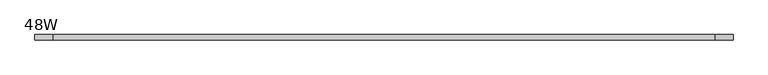
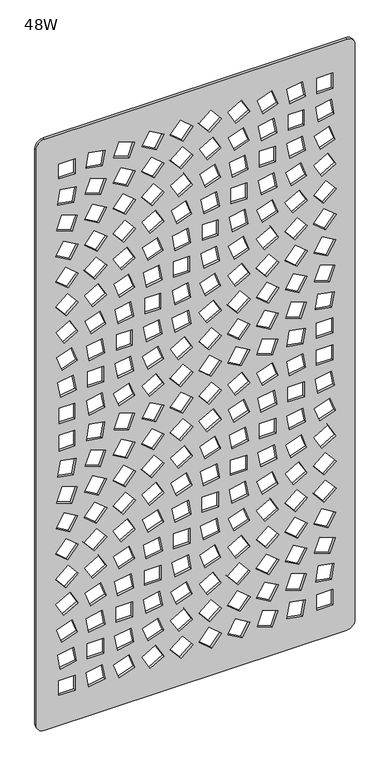
"""IFC4 building model written with IfcOpenShell, lengths in millimetres: furniture geometry, 48W."""

from ifc_helpers import new_model, si_unit, point, frame, frame_2d, origin, place, context, project, spatial, polyline, circle_curve, trimmed, segment, composite_curve, outline, extrude, source, transform, mapped, element, save


def furniture_48w_5e9925b6(model_context):
    return source(origin(), model_context, "Body", "SweptSolid", [
        extrude(outline(composite_curve([segment(polyline([(2413.0, 1187.4500727), (2413.0, 31.75)]), True, "CONTINUOUS"), segment(trimmed(circle_curve(frame_2d((2381.25, 31.75)), 31.75), [point((2413.0, 31.75))], [point((2381.25, 0.0))], False, "CARTESIAN"), True, "CONTINUOUS"), segment(polyline([(2381.25, 0.0), (57.15, 0.0)]), True, "CONTINUOUS"), segment(trimmed(circle_curve(frame_2d((57.15, 31.75)), 31.75), [point((57.15, 0.0))], [point((25.4, 31.75))], False, "CARTESIAN"), True, "CONTINUOUS"), segment(polyline([(25.4, 31.75), (25.4, 1187.4500727)]), True, "CONTINUOUS"), segment(trimmed(circle_curve(frame_2d((57.15, 1187.4500727)), 31.75), [point((25.4, 1187.4500727))], [point((57.15, 1219.2000727))], False, "CARTESIAN"), True, "CONTINUOUS"), segment(polyline([(57.15, 1219.2000727), (2381.25, 1219.2000727)]), True, "CONTINUOUS"), segment(trimmed(circle_curve(frame_2d((2381.25, 1187.4500727)), 31.75), [point((2381.25, 1219.2000727))], [point((2413.0, 1187.4500727))], False, "CARTESIAN"), True, "CONTINUOUS")], self_intersect=False), holes=[polyline([(2293.5036118, 148.8981546), (2233.3057358, 148.8981546), (2233.3057358, 86.0331934), (2293.5036118, 86.0331934), (2293.5036118, 148.8981546)]), polyline([(2298.5046631, 201.3383646), (2287.5882751, 263.2483454), (2228.3046844, 252.7951075), (2239.2210724, 190.8851267), (2298.5046631, 201.3383646)]), polyline([(2302.4389191, 317.425271), (2280.9379059, 376.4989908), (2224.3702347, 355.9101313), (2245.8714417, 296.8363146), (2302.4389191, 317.425271)]), polyline([(2305.1873947, 434.0967833), (2273.7548172, 488.5394388), (2221.6219528, 458.4404524), (2253.0543365, 403.9977968), (2305.1873947, 434.0967833)]), polyline([(2306.6661804, 551.1381372), (2266.2574066, 599.2955175), (2220.1429733, 560.6010286), (2260.5519409, 512.4435999), (2306.6661804, 551.1381372)]), polyline([(2306.8305115, 668.3232809), (2258.6731796, 708.7321516), (2219.9786423, 662.6178152), (2268.1359741, 622.2089445), (2306.8305115, 668.3232809)]), polyline([(2305.6753494, 785.4217051), (2251.2327423, 816.8541857), (2221.1338043, 764.7212244), (2275.5764114, 733.2887438), (2305.6753494, 785.4217051)]), polyline([(2303.2359634, 902.205662), (2244.1622437, 923.706772), (2223.5731903, 867.1391977), (2282.6469101, 845.6380877), (2303.2359634, 902.205662)]), polyline([(2299.5861862, 1018.4568995), (2237.6762054, 1029.3732874), (2227.2229675, 970.0898905), (2289.1329483, 959.1735025), (2299.5861862, 1018.4568995)]), polyline([(2294.8370575, 1133.973395), (2231.9720963, 1133.973395), (2231.9720963, 1073.7753252), (2294.8370575, 1073.7753252), (2294.8370575, 1133.973395)]), polyline([(2189.794632, 1128.0578646), (2127.8846512, 1138.9742525), (2117.4314133, 1079.6908556), (2179.341394, 1068.7744677), (2189.794632, 1128.0578646)]), polyline([(2185.0455032, 1024.3724298), (2122.180542, 1024.3724298), (2122.180542, 964.1743601), (2185.0455032, 964.1743601), (2185.0455032, 1024.3724298)]), polyline([(2189.794632, 908.8559343), (2127.884845, 919.7723707), (2117.4314133, 860.4889254), (2179.341394, 849.572489), (2189.794632, 908.8559343)]), polyline([(2134.3706894, 814.1058069), (2113.7818298, 757.5382326), (2172.8555496, 736.0371225), (2193.4444092, 792.6046968), (2134.3706894, 814.1058069)]), polyline([(2141.441188, 707.253269), (2111.3422501, 655.1203077), (2165.7848572, 623.6878271), (2195.883989, 675.8207884), (2141.441188, 707.253269)]), polyline([(2148.8816254, 599.1311865), (2110.187088, 553.0168501), (2158.3446136, 512.6079309), (2197.039151, 558.7223158), (2148.8816254, 599.1311865)]), polyline([(2156.4658524, 489.6945524), (2110.3516129, 451.0000151), (2150.7603867, 402.8426348), (2196.8746262, 441.5371721), (2156.4658524, 489.6945524)]), polyline([(2163.9634567, 378.9385706), (2111.8303986, 348.8394388), (2143.2629761, 294.3968317), (2195.3958405, 324.4958666), (2163.9634567, 378.9385706)]), polyline([(2171.1463516, 266.8980257), (2114.5788742, 246.3091661), (2136.0798874, 187.2353495), (2192.6475586, 207.8243059), (2171.1463516, 266.8980257)]), polyline([(2177.7967209, 153.6472834), (2118.513324, 143.1939486), (2129.4297119, 81.2840647), (2188.7131088, 91.7373026), (2177.7967209, 153.6472834)]), polyline([(2061.3549911, 157.2969637), (2004.7873199, 136.7081041), (2026.2883331, 77.6342875), (2082.8560043, 98.2232439), (2061.3549911, 157.2969637)]), polyline([(2033.4714218, 184.7958666), (2085.60448, 214.8949015), (2054.1719025, 269.3375086), (2002.0388443, 239.2385706), (2033.4714218, 184.7958666)]), polyline([(2087.0832657, 331.936207), (2046.6742981, 380.0936357), (2000.5600586, 341.3990984), (2040.9688324, 293.2416697), (2087.0832657, 331.936207)]), polyline([(2087.2475967, 449.1213507), (2039.0902649, 489.5301729), (2000.3957275, 443.4158365), (2048.5530594, 403.0070627), (2087.2475967, 449.1213507)]), polyline([(2086.0924347, 566.2198233), (2031.6498276, 597.6522554), (2001.5506958, 545.5192942), (2055.9934967, 514.0868135), (2086.0924347, 566.2198233)]), polyline([(2083.6528549, 683.0037802), (2024.5791351, 704.5048418), (2003.9902756, 647.9372675), (2063.0639954, 626.4362059), (2083.6528549, 683.0037802)]), polyline([(2080.0032715, 799.2549692), (2018.0932907, 810.1713572), (2007.6400528, 750.8879118), (2069.5498398, 739.9715239), (2080.0032715, 799.2549692)]), polyline([(2075.2541428, 854.5734434), (2075.2541428, 914.7714163), (2012.3891815, 914.7713678), (2012.3889877, 854.573395), (2075.2541428, 854.5734434)]), polyline([(2080.0030777, 1018.4568995), (2018.0932907, 1029.3732874), (2007.639859, 970.0898905), (2069.5498398, 959.1735025), (2080.0030777, 1018.4568995)]), polyline([(2083.6528549, 1121.4075922), (2024.5791351, 1142.9087023), (2003.9900818, 1086.341128), (2063.0639954, 1064.8400179), (2083.6528549, 1121.4075922)]), polyline([(1975.8127319, 1116.0461946), (1923.6798676, 1146.1452295), (1892.24729, 1091.7025255), (1944.3803482, 1061.6034906), (1975.8127319, 1116.0461946)]), polyline([(1973.8613007, 1011.8066271), (1914.7875809, 1033.3077372), (1894.1987213, 976.7401628), (1953.2724411, 955.2390528), (1973.8613007, 1011.8066271)]), polyline([(1970.2117172, 908.8558859), (1908.3017365, 919.7723223), (1897.8484985, 860.4888769), (1959.7582855, 849.5724405), (1970.2117172, 908.8558859)]), polyline([(1965.4625885, 805.1704027), (1902.5976273, 805.1704027), (1902.5976273, 744.9724298), (1965.4625885, 744.9724298), (1965.4625885, 805.1704027)]), polyline([(1970.2117172, 689.6540041), (1908.3017365, 700.5704405), (1897.8484985, 641.2869951), (1959.7584793, 630.3705587), (1970.2117172, 689.6540041)]), polyline([(1973.8614944, 573.4027666), (1914.7877747, 594.9038767), (1894.1987213, 538.3363024), (1953.2724411, 516.8351923), (1973.8614944, 573.4027666)]), polyline([(1976.3008804, 456.6188097), (1921.8582733, 488.0512903), (1891.7593353, 435.918329), (1946.2019424, 404.4858484), (1976.3008804, 456.6188097)]), polyline([(1977.4560425, 339.520434), (1929.2987106, 379.9292078), (1890.6041733, 333.8148714), (1938.7615051, 293.4060007), (1977.4560425, 339.520434)]), polyline([(1936.8829376, 270.4926706), (1890.7685043, 232.5452776), (1931.1774719, 184.3879457), (1977.2917114, 222.3352419), (1936.8829376, 270.4926706)]), polyline([(1944.3803482, 160.4836878), (1892.2474838, 130.3846529), (1923.6798676, 75.1948046), (1975.8129257, 105.2938395), (1944.3803482, 160.4836878)]), polyline([(1827.0913834, 160.8916086), (1780.9769501, 122.1970713), (1821.3859177, 74.0396425), (1867.500351, 112.7341799), (1827.0913834, 160.8916086)]), polyline([(1867.664682, 229.919372), (1819.5071564, 270.3282427), (1780.812619, 224.2139063), (1828.9701447, 183.8051325), (1867.664682, 229.919372)]), polyline([(1866.50952, 347.0178446), (1812.0667191, 378.4504221), (1781.9677811, 326.3173639), (1836.4103882, 294.8848833), (1866.50952, 347.0178446)]), polyline([(1864.0699402, 463.8018015), (1804.9962204, 485.3029116), (1784.4073608, 428.7353373), (1843.4810806, 407.2342272), (1864.0699402, 463.8018015)]), polyline([(1860.420163, 580.053039), (1798.510376, 590.9694754), (1788.0569443, 531.68603), (1849.966925, 520.7696421), (1860.420163, 580.053039)]), polyline([(1855.6710342, 695.569486), (1792.806073, 695.569486), (1792.806073, 635.3715132), (1855.6710342, 635.3715132), (1855.6710342, 695.569486)]), polyline([(1860.420163, 799.2549208), (1798.5101822, 810.1713572), (1788.0569443, 750.8879118), (1849.966925, 739.9714754), (1860.420163, 799.2549208)]), polyline([(1863.2728958, 903.9148115), (1806.7052246, 924.5037195), (1785.2042114, 865.4299513), (1841.7716888, 844.8410433), (1863.2728958, 903.9148115)]), polyline([(1866.0213715, 1006.4452295), (1813.8883133, 1036.5441675), (1782.4559296, 982.1014635), (1834.5887939, 952.0024286), (1866.0213715, 1006.4452295)]), polyline([(1867.5001572, 1108.6057573), (1821.3857239, 1147.3001978), (1780.9769501, 1099.1428659), (1824.607814, 1061.6961206), (1867.5001572, 1108.6057573)]), polyline([(1757.8731277, 120.3184069), (1709.7157959, 160.7271807), (1671.0212585, 114.6128443), (1719.1785904, 74.2040705), (1757.8731277, 120.3184069)]), polyline([(1756.7179657, 237.4168795), (1702.2753586, 268.8493601), (1672.1762268, 216.7163988), (1726.6190277, 185.2839182), (1756.7179657, 237.4168795)]), polyline([(1754.2783859, 354.2008364), (1695.2046661, 375.7019464), (1674.6158066, 319.1343721), (1733.6895264, 297.6332621), (1754.2783859, 354.2008364)]), polyline([(1750.6288025, 470.4520739), (1688.7188217, 481.3684618), (1678.26539, 422.0850649), (1740.1753708, 411.1686769), (1750.6288025, 470.4520739)]), polyline([(1745.8796738, 585.9685209), (1683.0147125, 585.9685209), (1683.0145187, 525.7705481), (1745.87948, 525.7705481), (1745.8796738, 585.9685209)]), polyline([(1750.6288025, 689.6540041), (1688.7186279, 700.5704405), (1678.26539, 641.2869951), (1740.1753708, 630.3705587), (1750.6288025, 689.6540041)]), polyline([(1754.2783859, 792.6046484), (1695.2046661, 814.1057585), (1674.6156128, 757.5381842), (1733.6895264, 736.0370741), (1754.2783859, 792.6046484)]), polyline([(1756.2298172, 896.844216), (1704.096759, 926.9432508), (1672.6641815, 872.5005468), (1724.7972397, 842.401512), (1756.2298172, 896.844216)]), polyline([(1757.7086029, 999.0046953), (1711.5943634, 1037.6992327), (1671.1853958, 989.5419008), (1717.2998291, 950.8473635), (1757.7086029, 999.0046953)]), polyline([(1757.872934, 1101.0215303), (1719.1783966, 1147.1358667), (1671.0210648, 1106.726996), (1709.7156021, 1060.6126596), (1757.872934, 1101.0215303)]), polyline([(1646.9265083, 127.8158175), (1592.4838043, 159.2482981), (1562.3847694, 107.1153368), (1616.8274734, 75.6828562), (1646.9265083, 127.8158175)]), polyline([(1644.4870255, 244.5998713), (1585.4132088, 266.1009813), (1564.8242523, 209.533407), (1623.898069, 188.0322969), (1644.4870255, 244.5998713)]), polyline([(1640.8372482, 360.8511087), (1578.9272675, 371.7674967), (1568.4740295, 312.4840998), (1630.3840103, 301.5677118), (1640.8372482, 360.8511087)]), polyline([(1636.0881195, 476.3675074), (1573.2231583, 476.3675558), (1573.2231583, 416.1695829), (1636.0881195, 416.1695345), (1636.0881195, 476.3675074)]), polyline([(1640.8372482, 580.0529905), (1578.9272675, 590.9694269), (1568.4740295, 531.6859816), (1630.3839134, 520.7695452), (1640.8372482, 580.0529905)]), polyline([(1644.4869286, 683.0036833), (1585.4131119, 704.5047934), (1564.8242523, 647.937219), (1623.8979721, 626.436109), (1644.4869286, 683.0036833)]), polyline([(1646.4382629, 787.2432024), (1594.3053017, 817.3422373), (1562.872821, 762.8995333), (1615.0057823, 732.8004984), (1646.4382629, 787.2432024)]), polyline([(1647.9171455, 889.4037302), (1601.8028091, 928.0982676), (1561.3939384, 879.9409357), (1607.5082748, 841.2463984), (1647.9171455, 889.4037302)]), polyline([(1648.0814766, 991.4205652), (1609.3870361, 1037.5349016), (1561.2296074, 997.1260309), (1599.9240479, 951.0116945), (1648.0814766, 991.4205652)]), polyline([(1646.9262177, 1093.5240229), (1616.8272797, 1145.6569841), (1562.3846725, 1114.2245035), (1592.4836105, 1062.0915422), (1646.9262177, 1093.5240229)]), polyline([(1534.6954712, 134.9988092), (1475.6217514, 156.4999193), (1455.0328918, 99.932345), (1514.1066116, 78.4312349), (1534.6954712, 134.9988092)]), polyline([(1531.0457909, 251.2501436), (1469.135907, 262.1665316), (1458.6825722, 202.8831347), (1520.5924561, 191.9667467), (1531.0457909, 251.2501436)]), polyline([(1526.2965652, 366.7665422), (1463.431604, 366.7666391), (1463.4317009, 306.5685694), (1526.2966621, 306.5685694), (1526.2965652, 366.7665422)]), polyline([(1531.045694, 470.4520739), (1469.1357132, 481.3684618), (1458.6824753, 422.0850164), (1520.5924561, 411.1685801), (1531.045694, 470.4520739)]), polyline([(1529.9639771, 581.597809), (1470.6805801, 592.0510954), (1459.7641922, 530.1411631), (1519.0475891, 519.6878767), (1529.9639771, 581.597809)]), polyline([(1536.6469025, 677.6422857), (1484.5138443, 707.7413206), (1453.0812668, 653.2986166), (1505.214325, 623.1995817), (1536.6469025, 677.6422857)]), polyline([(1538.1256882, 779.8027651), (1492.0112549, 818.4973024), (1451.6024811, 770.3399706), (1497.7167206, 731.6454332), (1538.1256882, 779.8027651)]), polyline([(1538.2900192, 881.8195517), (1499.5954819, 927.9339365), (1451.43815, 887.5251143), (1490.1325905, 841.4107294), (1538.2900192, 881.8195517)]), polyline([(1537.1348572, 983.9230577), (1507.0359192, 1036.056019), (1452.5932152, 1004.6235384), (1482.6921532, 952.4905771), (1537.1348572, 983.9230577)]), polyline([(1534.6953743, 1086.3410311), (1514.1064178, 1142.9086054), (1455.0326981, 1121.4074953), (1475.6215576, 1064.839921), (1534.6953743, 1086.3410311)]), polyline([(1409.2560349, 1140.0558725), (1349.9726379, 1129.6026346), (1360.8890259, 1067.6926538), (1420.1724228, 1078.1458918), (1409.2560349, 1140.0558725)]), polyline([(1404.3149605, 1033.3076403), (1345.2411438, 1011.8065302), (1365.8301003, 955.2389559), (1424.9039169, 976.740066), (1404.3149605, 1033.3076403)]), polyline([(1397.2443649, 926.4550539), (1342.8016609, 895.0226217), (1372.9006958, 842.889612), (1427.3433998, 874.3220442), (1397.2443649, 926.4550539)]), polyline([(1389.8039276, 818.3329714), (1341.6465958, 777.9241491), (1380.3411331, 731.8097643), (1428.498465, 772.2185865), (1389.8039276, 818.3329714)]), polyline([(1382.2197975, 708.8963858), (1341.8109268, 660.7390539), (1387.9252632, 622.0445166), (1428.3341339, 670.2018484), (1382.2197975, 708.8963858)]), polyline([(1374.72229, 598.1403555), (1343.2898094, 543.6976515), (1395.4227707, 513.598665), (1426.8552513, 568.0413206), (1374.72229, 598.1403555)]), polyline([(1367.5393951, 486.099859), (1346.0382851, 427.0260908), (1402.6058594, 406.4371828), (1424.1069695, 465.5109026), (1367.5393951, 486.099859)]), polyline([(1359.3442558, 371.7674967), (1348.8910179, 312.4840998), (1410.8009987, 301.5676149), (1421.2542366, 360.8511087), (1359.3442558, 371.7674967)]), polyline([(1353.6401466, 257.1655771), (1353.6401466, 196.9676043), (1416.5051079, 196.9676043), (1416.5051079, 257.1655771), (1353.6401466, 257.1655771)]), polyline([(1359.3442558, 152.5654696), (1348.8910179, 93.2820726), (1410.8009987, 82.3656847), (1421.2542366, 141.6490816), (1359.3442558, 152.5654696)]), polyline([(1306.7136505, 147.5645151), (1243.8486893, 147.5645151), (1243.8486893, 87.3665422), (1306.7136505, 87.3665422), (1306.7136505, 147.5645151)]), polyline([(1311.4627792, 251.2501436), (1249.5527985, 262.1665316), (1239.0995605, 202.8830378), (1301.0095413, 191.9666498), (1311.4627792, 251.2501436)]), polyline([(1314.3155121, 355.9099375), (1257.7479378, 376.4988939), (1236.2468277, 317.4251741), (1292.814402, 296.8362177), (1314.3155121, 355.9099375)]), polyline([(1317.0638908, 458.440307), (1264.9309296, 488.5393419), (1233.4984489, 434.0966379), (1285.6314102, 403.9976999), (1317.0638908, 458.440307)]), polyline([(1318.5426765, 560.6008833), (1272.4283401, 599.2954206), (1232.0194695, 551.1380404), (1278.1338058, 512.443503), (1318.5426765, 560.6008833)]), polyline([(1318.7070076, 662.6176699), (1280.0124702, 708.7320547), (1231.8551384, 668.323184), (1270.5496758, 622.2088476), (1318.7070076, 662.6176699)]), polyline([(1287.4529076, 816.8540888), (1233.8052132, 783.5368395), (1263.1092384, 733.2886469), (1317.5519424, 764.7210791), (1287.4529076, 816.8540888)]), polyline([(1292.8143051, 924.5036711), (1236.2467308, 903.9147146), (1257.7478409, 844.8409948), (1314.3154152, 865.4299028), (1292.8143051, 924.5036711)]), polyline([(1299.4645775, 1030.4549074), (1240.1811806, 1020.0016695), (1251.0975685, 958.0916887), (1310.3809654, 968.5449266), (1299.4645775, 1030.4549074)]), polyline([(1305.3801079, 1135.3067438), (1245.1820381, 1135.3067438), (1245.1820381, 1072.4417826), (1305.3801079, 1072.4417826), (1305.3801079, 1135.3067438)]), polyline([(1196.9221931, 147.5645151), (1134.0572319, 147.5645151), (1134.0572319, 87.3665422), (1196.9221931, 87.3665422), (1196.9221931, 147.5645151)]), polyline([(1191.218084, 262.1665316), (1129.3081032, 251.2501436), (1139.7613411, 191.9666498), (1201.6713219, 202.8830378), (1191.218084, 262.1665316)]), polyline([(1184.7321426, 375.7019464), (1125.658326, 354.2008364), (1146.2472824, 297.6331652), (1205.3210991, 319.1342752), (1184.7321426, 375.7019464)]), polyline([(1177.6615471, 488.0512419), (1123.2188431, 456.6187128), (1153.317878, 404.4857515), (1207.760582, 435.9182322), (1177.6615471, 488.0512419)]), polyline([(1170.2210129, 599.1310411), (1122.063681, 558.7222189), (1160.7582184, 512.6078341), (1208.9155502, 553.0166563), (1170.2210129, 599.1310411)]), polyline([(1208.7512192, 670.2018), (1162.6368828, 708.8963373), (1122.2280121, 660.7390055), (1168.3423485, 622.0444681), (1208.7512192, 670.2018)]), polyline([(1207.2723366, 787.243154), (1155.1393753, 817.3421888), (1123.7068947, 762.8994848), (1175.839856, 732.8004499), (1207.2723366, 787.243154)]), polyline([(1204.5239578, 903.9147146), (1147.9563835, 924.5036226), (1126.4552734, 865.4298544), (1183.0228477, 844.8409464), (1204.5239578, 903.9147146)]), polyline([(1200.5895081, 1020.0015726), (1141.3061111, 1030.4549074), (1130.3897232, 968.5450235), (1189.6731201, 958.0916887), (1200.5895081, 1020.0015726)]), polyline([(1195.5886505, 1135.3067438), (1135.3906776, 1135.3067438), (1135.3905807, 1072.4417826), (1195.5885536, 1072.4417826), (1195.5886505, 1135.3067438)]), polyline([(1081.4265297, 152.5654696), (1019.5165489, 141.6490816), (1029.9697868, 82.3655878), (1091.8797676, 93.2819757), (1081.4265297, 152.5654696)]), polyline([(1074.9405884, 266.1008844), (1015.8667717, 244.5998713), (1036.4557281, 188.0322001), (1095.5295448, 209.5333101), (1074.9405884, 266.1008844)]), polyline([(1067.8699928, 378.4502283), (1013.4272888, 347.0178446), (1043.5263237, 294.8847864), (1097.9690277, 326.317267), (1067.8699928, 378.4502283)]), polyline([(1099.1240929, 443.4157396), (1060.4295555, 489.530076), (1012.2722237, 449.1212053), (1050.966761, 403.0068689), (1099.1240929, 443.4157396)]), polyline([(1098.9596649, 560.6008348), (1052.8453285, 599.2953722), (1012.4364578, 551.1380404), (1058.5507942, 512.443503), (1098.9596649, 560.6008348)]), polyline([(1097.4807823, 677.6422373), (1045.347821, 707.7412722), (1013.9153404, 653.2985682), (1066.0483017, 623.1995333), (1097.4807823, 677.6422373)]), polyline([(1094.7324036, 794.3137495), (1038.1648293, 814.9026575), (1016.6637192, 755.8288893), (1073.2312935, 735.2399813), (1094.7324036, 794.3137495)]), polyline([(1090.7979538, 910.4006075), (1031.5145569, 920.8538939), (1020.5981689, 858.9439615), (1079.8815659, 848.4906752), (1090.7979538, 910.4006075)]), polyline([(1085.7970963, 1025.7057787), (1025.5991234, 1025.7056818), (1025.5990265, 962.8407206), (1085.7969994, 962.8408175), (1085.7970963, 1025.7057787)]), polyline([(1090.7979538, 1129.6025377), (1031.5145569, 1140.0557756), (1020.5981689, 1078.1458918), (1079.8815659, 1067.6926538), (1090.7979538, 1129.6025377)]), polyline([(985.7379906, 99.9322481), (965.1490341, 156.4998224), (906.0752174, 134.9988092), (926.6641739, 78.431138), (985.7379906, 99.9322481)]), polyline([(988.1774734, 216.7163019), (958.0784386, 268.8493601), (903.6357346, 237.4167826), (933.7347694, 185.2838213), (988.1774734, 216.7163019)]), polyline([(989.3325386, 333.8147745), (950.6380013, 379.9291109), (902.4806694, 339.5202402), (941.1752068, 293.4059038), (989.3325386, 333.8147745)]), polyline([(989.1682076, 450.9998697), (943.0538712, 489.6944071), (902.6450005, 441.5370268), (948.7593369, 402.8425379), (989.1682076, 450.9998697)]), polyline([(987.6892281, 568.0412722), (935.5562668, 598.140307), (904.1237862, 543.697603), (956.2567474, 513.5985682), (987.6892281, 568.0412722)]), polyline([(984.9408493, 684.7128328), (928.373275, 705.3017408), (906.8721649, 646.2279726), (963.4397392, 625.6390646), (984.9408493, 684.7128328)]), polyline([(981.0063995, 800.7996424), (921.7230026, 811.2529287), (910.8066147, 749.3429964), (970.0900116, 738.88971), (981.0063995, 800.7996424)]), polyline([(976.005542, 916.1047651), (915.8075691, 916.1048136), (915.8074722, 853.2398039), (976.0054451, 853.2397554), (976.005542, 916.1047651)]), polyline([(981.0063995, 1020.0014757), (921.7230026, 1030.4548105), (910.8066147, 968.5449266), (970.0900116, 958.0915918), (981.0063995, 1020.0014757)]), polyline([(984.9408493, 1123.1165964), (928.373275, 1143.7055529), (906.8721649, 1084.6317362), (963.4397392, 1064.0427797), (984.9408493, 1123.1165964)]), polyline([(877.8977707, 1116.0460009), (825.7648094, 1146.1450357), (794.3323288, 1091.7023317), (846.4652901, 1061.6032969), (877.8977707, 1116.0460009)]), polyline([(875.1493919, 1013.5156313), (818.5818176, 1034.1045877), (797.0807076, 975.0307711), (853.6482819, 954.4418146), (875.1493919, 1013.5156313)]), polyline([(871.2149422, 910.4006075), (811.9315453, 920.8538454), (801.0151573, 858.9439131), (860.2985542, 848.4906752), (871.2149422, 910.4006075)]), polyline([(866.2140846, 806.5038), (806.0160149, 806.5038), (806.0160149, 743.6387903), (866.2140846, 743.6387903), (866.2140846, 806.5038)]), polyline([(765.3579346, 903.9146177), (708.7903603, 924.5036226), (687.2892502, 865.4298544), (743.8568245, 844.8408495), (765.3579346, 903.9146177)]), polyline([(761.4234848, 800.7995939), (702.1400879, 811.2528803), (691.2237, 749.342948), (750.5070969, 738.8896616), (761.4234848, 800.7995939)]), polyline([(878.3860161, 107.1152399), (848.2869812, 159.2482012), (793.8442772, 127.8157206), (823.9433121, 75.6827593), (878.3860161, 107.1152399)]), polyline([(879.5410812, 224.2138094), (840.8465439, 270.3281458), (792.689212, 229.9192751), (831.3837494, 183.8049387), (879.5410812, 224.2138094)]), polyline([(879.3767502, 341.3989046), (833.2624138, 380.093442), (792.8535431, 331.9361101), (838.9678795, 293.2415728), (879.3767502, 341.3989046)]), polyline([(877.8978676, 458.440307), (825.7649063, 488.5392935), (794.3324257, 434.0966379), (846.465387, 403.997603), (877.8978676, 458.440307)]), polyline([(875.1493919, 575.1118677), (818.5818176, 595.7007273), (797.0807076, 536.626959), (853.6482819, 516.038051), (875.1493919, 575.1118677)]), polyline([(860.2985542, 629.2887934), (871.2149422, 691.1987257), (811.9315453, 701.6519636), (801.0151573, 639.7420313), (860.2985542, 629.2887934)]), polyline([(769.7496239, 114.6127474), (731.0550865, 160.7270838), (682.8977547, 120.3182131), (721.592292, 74.2038767), (769.7496239, 114.6127474)]), polyline([(659.7939323, 122.1968775), (613.6795959, 160.8914148), (573.2708221, 112.734083), (619.3850616, 74.0395456), (659.7939323, 122.1968775)]), polyline([(548.5234955, 129.6373148), (496.3906311, 159.7362528), (464.9580536, 105.2936457), (517.090918, 75.1946108), (548.5234955, 129.6373148)]), polyline([(769.5852928, 231.7979395), (723.4709564, 270.4924768), (683.0620857, 222.335145), (729.1764221, 183.6406076), (769.5852928, 231.7979395)]), polyline([(658.3150497, 239.2383768), (606.1821854, 269.3374117), (574.7496078, 214.8947077), (626.8824722, 184.7956728), (658.3150497, 239.2383768)]), polyline([(545.7752136, 246.3088755), (489.2075424, 266.8979288), (467.7063354, 207.8241121), (524.2740067, 187.2351557), (545.7752136, 246.3088755)]), polyline([(768.1064102, 348.8393419), (715.9734489, 378.9383768), (684.5409683, 324.4956728), (736.6739296, 294.3966379), (768.1064102, 348.8393419)]), polyline([(655.566671, 355.9099375), (598.9990967, 376.498797), (577.4978897, 317.4250772), (634.0655609, 296.8361208), (655.566671, 355.9099375)]), polyline([(541.8407639, 362.3957819), (482.5571732, 372.8490198), (471.6407852, 310.9391359), (530.9243759, 300.485898), (541.8407639, 362.3957819)]), polyline([(765.3580315, 465.5108541), (708.7904572, 486.0997622), (687.2893471, 427.0260424), (743.8569214, 406.4370859), (765.3580315, 465.5108541)]), polyline([(761.4234848, 581.5977121), (702.1400879, 592.0509985), (691.2237, 530.1410662), (750.5070969, 519.6878283), (761.4234848, 581.5977121)]), polyline([(756.4226273, 696.9028349), (696.2246544, 696.9028833), (696.2245575, 634.0378736), (756.4225304, 634.0378252), (756.4226273, 696.9028349)]), polyline([(651.6322212, 471.996747), (592.3487274, 482.4500334), (581.4323395, 420.5401011), (640.7158333, 410.0868631), (651.6322212, 471.996747)]), polyline([(646.6312668, 587.3018698), (586.4333908, 587.3019182), (586.4333908, 524.4369085), (646.6311699, 524.4368601), (646.6312668, 587.3018698)]), polyline([(651.6321243, 691.1986773), (592.3487274, 701.6519636), (581.4323395, 639.7420313), (640.7157364, 629.2887449), (651.6321243, 691.1986773)]), polyline([(536.8397125, 477.7009047), (476.6418365, 477.7009047), (476.6418365, 414.8359434), (536.8397125, 414.8359434), (536.8397125, 477.7009047)]), polyline([(541.8407639, 581.5977121), (482.5571732, 592.0509985), (471.6407852, 530.1410662), (530.9243759, 519.6877314), (541.8407639, 581.5977121)]), polyline([(545.7752136, 684.7127359), (489.2075424, 705.3017408), (467.7063354, 646.2279726), (524.2740067, 625.6389677), (545.7752136, 684.7127359)]), polyline([(435.9836594, 136.7079103), (379.4159882, 157.2967699), (357.9147812, 98.2230501), (414.4824524, 77.6340937), (435.9836594, 136.7079103)]), polyline([(322.2578491, 143.1937548), (262.9742584, 153.6470896), (252.0578705, 91.7371088), (311.3414612, 81.2838709), (322.2578491, 143.1937548)]), polyline([(207.4654373, 148.8979609), (147.2675613, 148.8979609), (147.2675613, 86.0329027), (207.4654373, 86.0329027), (207.4654373, 148.8979609)]), polyline([(432.0492096, 252.7948168), (372.7656189, 263.2481516), (361.849231, 201.3381708), (421.1328217, 190.8849329), (432.0492096, 252.7948168)]), polyline([(317.2567978, 258.4990229), (257.0589218, 258.4990229), (257.0589218, 195.6339647), (317.2567978, 195.6339647), (317.2567978, 258.4990229)]), polyline([(212.4664886, 252.7948168), (153.1828979, 263.2480547), (142.26651, 201.3381708), (201.5501007, 190.884836), (212.4664886, 252.7948168)]), polyline([(427.0481583, 368.0998911), (366.8502823, 368.099988), (366.8502823, 305.2349298), (427.0481583, 305.2349298), (427.0481583, 368.0998911)]), polyline([(322.2578491, 362.3957819), (262.9742584, 372.8490198), (252.0578705, 310.9391359), (311.3414612, 300.4858011), (322.2578491, 362.3957819)]), polyline([(216.4009384, 355.9098406), (159.8332672, 376.498797), (138.3320602, 317.4249804), (194.8997314, 296.8360239), (216.4009384, 355.9098406)]), polyline([(432.0492096, 471.996747), (372.7656189, 482.4499849), (361.849231, 420.5401011), (421.1328217, 410.0868147), (432.0492096, 471.996747)]), polyline([(326.1922989, 465.5108057), (269.6246277, 486.0997622), (248.1234207, 427.0259455), (304.6910919, 406.4370375), (326.1922989, 465.5108057)]), polyline([(219.6373688, 456.6186159), (165.1947617, 488.0510965), (135.0956299, 435.9181353), (189.538237, 404.4856546), (219.6373688, 456.6186159)]), polyline([(435.9836594, 575.1117708), (379.4159882, 595.7007273), (357.9147812, 536.626959), (414.4824524, 516.0380026), (435.9836594, 575.1117708)]), polyline([(329.4287292, 566.219581), (274.9861221, 597.6521101), (244.8869904, 545.5191004), (299.3295975, 514.0866198), (329.4287292, 566.219581)]), polyline([(220.7925308, 558.7220736), (172.6350052, 599.1309443), (133.9404678, 553.0166079), (182.0979935, 512.6077372), (220.7925308, 558.7220736)]), polyline([(439.2200897, 675.8205946), (384.7774826, 707.2530752), (354.6783508, 655.1200655), (409.1209579, 623.6875364), (439.2200897, 675.8205946)]), polyline([(330.5838913, 668.3230387), (282.4263657, 708.7319094), (243.7318283, 662.617573), (291.8893539, 622.2087023), (330.5838913, 668.3230387)]), polyline([(220.628006, 660.7388601), (180.2192322, 708.8962404), (134.1049927, 670.2017515), (174.5137665, 622.0443712), (220.628006, 660.7388601)]), polyline([(768.5944618, 1004.6234415), (714.1517578, 1036.0559221), (684.0527229, 983.9229609), (738.4954269, 952.4904802), (768.5944618, 1004.6234415)]), polyline([(769.749527, 1106.7268991), (721.5921951, 1147.1357698), (682.8976578, 1101.0214334), (731.0549896, 1060.6125628), (769.749527, 1106.7268991)]), polyline([(655.5665741, 794.3136526), (598.9990967, 814.9026575), (577.4978897, 755.8288893), (634.0655609, 735.2398844), (655.5665741, 794.3136526)]), polyline([(549.011644, 785.4215113), (494.5690369, 816.8540403), (464.4699051, 764.7210306), (518.9125122, 733.2885015), (549.011644, 785.4215113)]), polyline([(440.3752518, 777.9240038), (392.2177261, 818.332826), (353.5231888, 772.2184896), (401.6807144, 731.8096189), (440.3752518, 777.9240038)]), polyline([(330.4193665, 770.3397768), (290.0105927, 818.4971571), (243.8963531, 779.8026682), (284.305127, 731.6452879), (330.4193665, 770.3397768)]), polyline([(658.8031013, 895.0224764), (604.3603973, 926.4550055), (574.2614594, 874.3219957), (628.7040665, 842.8894667), (658.8031013, 895.0224764)]), polyline([(550.166806, 887.5249689), (502.0090866, 927.9338396), (463.314743, 881.8195032), (511.4722687, 841.4106325), (550.166806, 887.5249689)]), polyline([(440.2107269, 879.9407904), (399.8017593, 928.0981222), (353.6877136, 889.4036333), (394.0964874, 841.246253), (440.2107269, 879.9407904)]), polyline([(329.4287292, 874.3219473), (299.3295975, 926.4549086), (244.8867966, 895.0224279), (274.9859283, 842.8894667), (329.4287292, 874.3219473)]), polyline([(219.1492203, 762.8993879), (187.7168365, 817.3420435), (135.5837784, 787.2430571), (167.0161621, 732.8004015), (219.1492203, 762.8993879)]), polyline([(217.197789, 867.1389071), (196.6087357, 923.7065298), (137.5350159, 902.2054682), (158.1240692, 845.6378454), (217.197789, 867.1389071)]), polyline([(203.0945801, 1029.3729967), (141.1847931, 1018.4566088), (151.638031, 959.1732119), (213.547818, 970.0895998), (203.0945801, 1029.3729967)]), polyline([(208.7988831, 1133.9730074), (145.933728, 1133.9731043), (145.933728, 1073.7751314), (208.7988831, 1073.7750345), (208.7988831, 1133.9730074)]), polyline([(312.8859406, 1138.9740587), (250.9761536, 1128.0576708), (261.4293915, 1068.7742739), (323.3391785, 1079.6906618), (312.8859406, 1138.9740587)]), polyline([(414.4822586, 1143.7055529), (357.9145874, 1123.1165964), (379.4157944, 1064.0427797), (435.9834656, 1084.6317362), (414.4822586, 1143.7055529)]), polyline([(548.5233017, 1091.7023317), (517.090918, 1146.1450357), (464.9578598, 1116.0460009), (496.3902435, 1061.6032969), (548.5233017, 1091.7023317)]), polyline([(621.2636292, 1060.6125628), (659.9581665, 1106.7268991), (611.8006409, 1147.1357698), (573.1061035, 1101.0214334), (621.2636292, 1060.6125628)]), polyline([(611.8006409, 1037.5348047), (573.1061035, 991.4204683), (621.2636292, 951.0115976), (659.9581665, 997.125934), (611.8006409, 1037.5348047)]), polyline([(509.5933136, 1037.6991358), (463.4790741, 999.0045984), (503.8878479, 950.8472666), (550.0020874, 989.5418039), (509.5933136, 1037.6991358)]), polyline([(409.1209579, 1036.0559221), (354.678157, 1004.6234415), (384.777095, 952.4904802), (439.2198959, 983.9229609), (409.1209579, 1036.0559221)]), polyline([(306.4000961, 1033.3075434), (247.3263763, 1011.8064333), (267.9152359, 955.238859), (326.9889557, 976.7399691), (306.4000961, 1033.3075434)])]), frame((0.0, -4.5, 0.0), z_axis=(0.0, 1.0, 0.0), x_axis=(0.0, 0.0, 1.0)), (0.0, 0.0, 1.0), 9.0),
    ])


if __name__ == "__main__":
    model = new_model("IFC4")
    model_context = context("Model", 3, world=origin())
    ifc_project = project(units=[si_unit("LENGTHUNIT", "METRE", prefix="MILLI")], contexts=[model_context])
    site = spatial("IfcSite", under=ifc_project)
    building = spatial("IfcBuilding", under=site)
    placement = place(None, origin())
    furniture_48w_shape = furniture_48w_5e9925b6(model_context)
    element("IfcFurniture", 1, ObjectType="48W", at=placement, inside=building, context=model_context, shape_type="MappedRepresentation", body=[
        mapped(furniture_48w_shape, transform((0.0, 0.0, 0.0), x_axis=(1.0, 0.0, 0.0), y_axis=(0.0, 1.0, 0.0), z_axis=(0.0, 0.0, 1.0))),
    ])
    save(model, "model.ifc")
